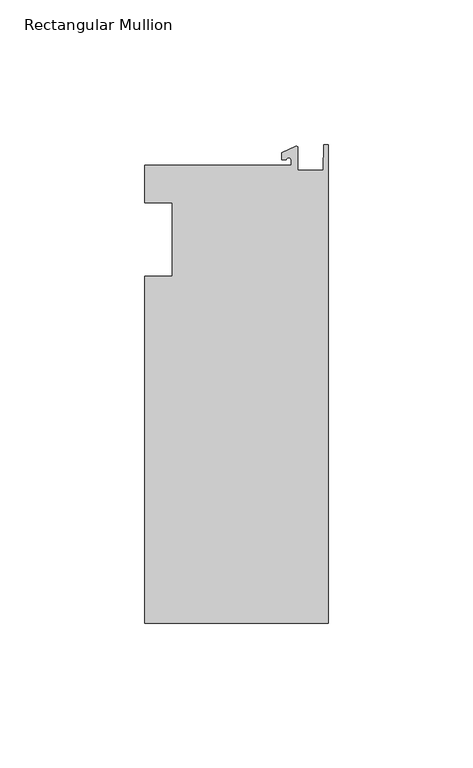
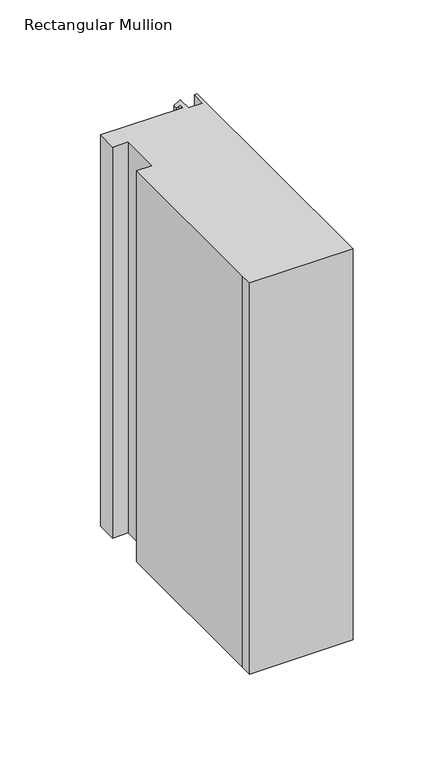
"""IFC4 building model written with IfcOpenShell, lengths in millimetres: member geometry, Rectangular Mullion."""

from ifc_helpers import new_model, si_unit, point, frame, frame_2d, origin, place, context, project, spatial, polyline, circle_curve, trimmed, segment, composite_curve, outline, extrude, source, transform, mapped, element, save


def rectangular_mullion_a43dc6c4(model_context):
    return source(origin(), model_context, "Body", "SweptSolid", [
        extrude(outline(composite_curve([segment(polyline([(-12.8216721, 25.5984375), (-12.8216721, 27.5208534)]), True, "CONTINUOUS"), segment(trimmed(circle_curve(frame_2d((-13.6154221, 27.5208534)), 0.79375), [point((-12.8216721, 27.5208534))], [point((-14.4091721, 27.5208534))], True, "CARTESIAN"), True, "CONTINUOUS"), segment(polyline([(-14.4091721, 27.5208534), (-15.9966721, 27.5208534), (-15.9966721, 29.8830527), (-11.1567622, 32.1399398)]), True, "CONTINUOUS"), segment(trimmed(circle_curve(frame_2d((-10.9420721, 31.6795354)), 0.508), [point((-11.1567622, 32.1399398))], [point((-10.4340721, 31.6795354))], False, "CARTESIAN"), True, "CONTINUOUS"), segment(polyline([(-10.4340721, 31.6795354), (-10.4340721, 23.9227662), (-1.7144124, 23.9227662), (-1.5566453, 32.810012), (0.0, 32.810012), (0.0, -132.822512), (-63.5, -132.822512), (-63.5, -125.075512), (-63.5, -12.7), (-53.975, -12.7), (-53.975, 12.7), (-63.5, 12.7), (-63.5, 25.5984375), (-12.8216721, 25.5984375)]), True, "CONTINUOUS")], self_intersect=False)), frame((0.0, 0.0, -254.0), z_axis=(0.0, 0.0, 1.0), x_axis=(1.0, 0.0, 0.0)), (0.0, 0.0, 1.0), 254.0),
    ])


if __name__ == "__main__":
    model = new_model("IFC4")
    model_context = context("Model", 3, world=origin())
    ifc_project = project(units=[si_unit("LENGTHUNIT", "METRE", prefix="MILLI")], contexts=[model_context])
    site = spatial("IfcSite", under=ifc_project)
    building = spatial("IfcBuilding", under=site)
    placement = place(None, origin())
    rectangular_mullion_shape = rectangular_mullion_a43dc6c4(model_context)
    element("IfcMember", 1, ObjectType="Rectangular Mullion", at=placement, inside=building, context=model_context, shape_type="MappedRepresentation", body=[
        mapped(rectangular_mullion_shape, transform((0.0, 0.0, 0.0), x_axis=(1.0, 0.0, 0.0), y_axis=(0.0, 1.0, 0.0), z_axis=(0.0, 0.0, 1.0))),
    ])
    save(model, "model.ifc")
